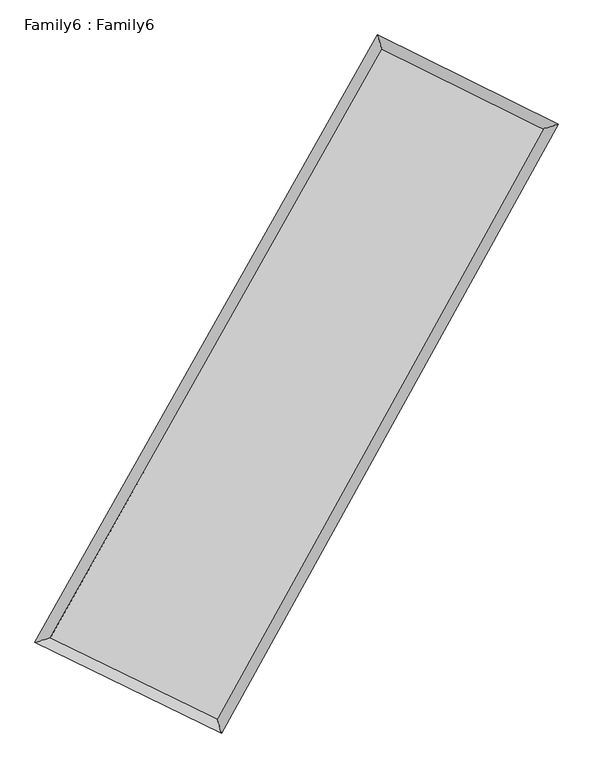
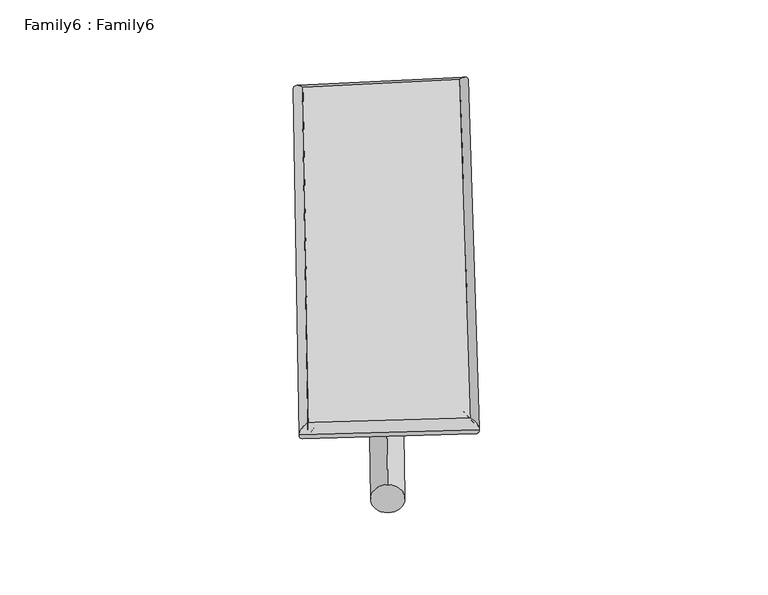
"""IFC4 building model written with IfcOpenShell, lengths in millimetres: plate geometry, Family6 : Family6."""

import ifcopenshell
import ifcopenshell.guid

model = None  # the IFC model being written
_history = None  # IfcOwnerHistory: only IFC2X3 demands one
_inside = {}  # id of a spatial element -> (the spatial element, [elements in it])
_under = {}  # id of a project, library or spatial element -> (it, [spatial elements below it])
_declared = {}  # id of a project -> (the project, [libraries it declares])
_typed = {}  # id of a type object -> (the type object, [elements of that type])
_made_of = {}  # id of a material, layer set ... -> (it, [elements and type objects made of it])


def new_model(schema):
    """Start an empty IFC model of exactly this schema.

    Asked for "IFC4X3", IfcOpenShell would pick the latest addendum, in which some entities
    have other attributes; the version numbers below select the first issue.
    IFC2X3 requires an IfcOwnerHistory on every rooted entity: one is made here for all.
    """
    global model, _history
    if schema == "IFC4X3":
        model = ifcopenshell.file(schema_version=(4, 3, 0, 0))
    else:
        model = ifcopenshell.file(schema=schema)
    _inside.clear()
    _under.clear()
    _declared.clear()
    _typed.clear()
    _made_of.clear()
    _history = None
    if model.schema == "IFC2X3":
        org = make("IfcOrganization", Name="unknown")
        user = make(
            "IfcPersonAndOrganization",
            ThePerson=make("IfcPerson", FamilyName="unknown"),
            TheOrganization=org,
        )
        app = make(
            "IfcApplication",
            ApplicationDeveloper=org,
            Version="unknown",
            ApplicationFullName="unknown",
            ApplicationIdentifier="unknown",
        )
        _history = make(
            "IfcOwnerHistory",
            OwningUser=user,
            OwningApplication=app,
            ChangeAction="ADDED",
            CreationDate=0,
        )
    return model


def make(cls, **values):
    """One entity of the class cls with the attributes given. An attribute that is None is left unset."""
    return model.create_entity(
        cls, **{name: value for name, value in values.items() if value is not None}
    )


def rooted(cls, **values):
    """An entity with a GlobalId (a new one), such as an element, a storey or a relation."""
    return make(cls, GlobalId=ifcopenshell.guid.new(), OwnerHistory=_history, **values)


def si_unit(unit_type, name, prefix=None):
    """IfcSIUnit, for example si_unit("LENGTHUNIT", "METRE", prefix="MILLI")."""
    return make("IfcSIUnit", UnitType=unit_type, Prefix=prefix, Name=name)


def assignment(units):
    """IfcUnitAssignment: the units of a project."""
    return None if units is None else make("IfcUnitAssignment", Units=units)


def point(xyz):
    """IfcCartesianPoint."""
    return None if xyz is None else make("IfcCartesianPoint", Coordinates=xyz)


def direction(xyz):
    """IfcDirection."""
    return None if xyz is None else make("IfcDirection", DirectionRatios=xyz)


def frame(location, z_axis=None, x_axis=None):
    """IfcAxis2Placement3D, a coordinate frame: its origin and axes. An axis left out is left unset."""
    return make(
        "IfcAxis2Placement3D",
        Location=point(location),
        Axis=direction(z_axis),
        RefDirection=direction(x_axis),
    )


def frame_2d(location, x_axis=None):
    """IfcAxis2Placement2D, a coordinate frame in the plane: its origin and x axis."""
    return make(
        "IfcAxis2Placement2D", Location=point(location), RefDirection=direction(x_axis)
    )


def origin():
    """The frame at (0, 0, 0) with its axes left unset."""
    return frame((0.0, 0.0, 0.0))


def origin_2d():
    """The frame at (0, 0) in the plane with its x axis left unset."""
    return frame_2d((0.0, 0.0))


def place(relative_to, where):
    """IfcLocalPlacement: puts the frame where relative to a parent placement (None: the world)."""
    return make(
        "IfcLocalPlacement", PlacementRelTo=relative_to, RelativePlacement=where
    )


def context(
    kind, dimensions, precision=None, world=None, true_north=None, identifier=None
):
    """IfcGeometricRepresentationContext, for example the 3D "Model" context."""
    return make(
        "IfcGeometricRepresentationContext",
        ContextIdentifier=identifier,
        ContextType=kind,
        CoordinateSpaceDimension=dimensions,
        Precision=precision,
        WorldCoordinateSystem=world,
        TrueNorth=true_north,
    )


def project(units=None, contexts=None):
    """IfcProject with its units and contexts."""
    return rooted(
        "IfcProject",
        Name="project",
        RepresentationContexts=contexts,
        UnitsInContext=assignment(units),
    )


def spatial(cls, under=None, at=None, **own):
    """A site, building, storey or space (cls), placed at a placement, below another one or the project."""
    s = rooted(cls, ObjectPlacement=at, **own)
    if under is not None:
        _under.setdefault(under.id(), (under, []))[1].append(s)
    return s


def circle_curve(where, radius):
    """IfcCircle in the frame where."""
    return make("IfcCircle", Position=where, Radius=radius)


def ellipse_curve(where, semi_axis1, semi_axis2):
    """IfcEllipse in the frame where."""
    return make(
        "IfcEllipse", Position=where, SemiAxis1=semi_axis1, SemiAxis2=semi_axis2
    )


def trimmed(basis, trim1, trim2, sense, master):
    """IfcTrimmedCurve: the piece of a basis curve between two trims."""
    return make(
        "IfcTrimmedCurve",
        BasisCurve=basis,
        Trim1=trim1,
        Trim2=trim2,
        SenseAgreement=sense,
        MasterRepresentation=master,
    )


def segment(curve, same_sense, transition):
    """IfcCompositeCurveSegment."""
    return make(
        "IfcCompositeCurveSegment",
        Transition=transition,
        SameSense=same_sense,
        ParentCurve=curve,
    )


def composite_curve(segments, self_intersect=None):
    """IfcCompositeCurve: segments joined end to end."""
    return make("IfcCompositeCurve", Segments=segments, SelfIntersect=self_intersect)


def outline(outer, holes=None, kind="AREA"):
    """IfcArbitraryClosedProfileDef: a profile drawn as a closed curve; with holes, ...WithVoids."""
    if holes is None:
        return make("IfcArbitraryClosedProfileDef", ProfileType=kind, OuterCurve=outer)
    return make(
        "IfcArbitraryProfileDefWithVoids",
        ProfileType=kind,
        OuterCurve=outer,
        InnerCurves=holes,
    )


def extrude(swept, where, along, depth):
    """IfcExtrudedAreaSolid: the profile swept, set in the frame where, extruded along a direction by depth."""
    return make(
        "IfcExtrudedAreaSolid",
        SweptArea=swept,
        Position=where,
        ExtrudedDirection=direction(along),
        Depth=depth,
    )


def shape(context_of_items, identifier, shape_type, items):
    """IfcShapeRepresentation: the items that make up one representation, for example the "Body"."""
    return make(
        "IfcShapeRepresentation",
        ContextOfItems=context_of_items,
        RepresentationIdentifier=identifier,
        RepresentationType=shape_type,
        Items=items,
    )


def source(mapping_origin, context_of_items, identifier, shape_type, items):
    """IfcRepresentationMap: a shape defined once, which mapped items show again and again."""
    return make(
        "IfcRepresentationMap",
        MappingOrigin=mapping_origin,
        MappedRepresentation=shape(context_of_items, identifier, shape_type, items),
    )


def transform(
    local_origin,
    x_axis=None,
    y_axis=None,
    z_axis=None,
    scale=None,
    scale2=None,
    scale3=None,
    uniform=True,
):
    """IfcCartesianTransformationOperator3D, or its non-uniform kind. x_axis, y_axis, z_axis: its Axis1, 2, 3."""
    if uniform:
        return make(
            "IfcCartesianTransformationOperator3D",
            Axis1=direction(x_axis),
            Axis2=direction(y_axis),
            LocalOrigin=point(local_origin),
            Scale=scale,
            Axis3=direction(z_axis),
        )
    return make(
        "IfcCartesianTransformationOperator3DnonUniform",
        Axis1=direction(x_axis),
        Axis2=direction(y_axis),
        LocalOrigin=point(local_origin),
        Scale=scale,
        Axis3=direction(z_axis),
        Scale2=scale2,
        Scale3=scale3,
    )


def mapped(mapping_source, mapping_target):
    """IfcMappedItem: shows the shape of a source again, moved by a transform."""
    return make(
        "IfcMappedItem", MappingSource=mapping_source, MappingTarget=mapping_target
    )


def made_of(thing, what):
    """Note that an element or type object is made of a material, layer set ...; save() writes the relation."""
    if what is not None:
        _made_of.setdefault(what.id(), (what, []))[1].append(thing)
    return thing


def element(
    cls,
    number,
    at=None,
    inside=None,
    cuts=None,
    type_object=None,
    material=None,
    context=None,
    identifier="Body",
    shape_type=None,
    held_by="IfcProductDefinitionShape",
    body=None,
    shapes=None,
    **own,
):
    """One element of the class cls, such as IfcWall. Its Tag is "e" and its number.

    at: its placement. inside: the storey or other place that contains it. cuts: it is an
    opening in that element (IfcRelVoidsElement). A single representation is given by context,
    identifier, shape_type and body (its items); several are given by shapes. held_by: the class
    of the entity that holds the representations. save() writes the other relations.
    """
    e = rooted(cls, Tag="e%d" % number, ObjectPlacement=at, **own)
    if body is not None:
        shapes = [shape(context, identifier, shape_type, body)]
    if shapes is not None:
        e.Representation = make(held_by, Representations=shapes)
    if inside is not None:
        _inside.setdefault(inside.id(), (inside, []))[1].append(e)
    if cuts is not None:
        rooted(
            "IfcRelVoidsElement", RelatingBuildingElement=cuts, RelatedOpeningElement=e
        )
    if type_object is not None:
        _typed.setdefault(type_object.id(), (type_object, []))[1].append(e)
    return made_of(e, material)


def aggregate(whole, parts):
    """IfcRelAggregates: a whole, such as a stair, and the parts it consists of."""
    return rooted("IfcRelAggregates", RelatingObject=whole, RelatedObjects=parts)


def save(model, path):
    """Write the relations noted so far, then the file.

    IfcRelAggregates (storeys below a building ...), IfcRelContainedInSpatialStructure (elements
    in a storey), IfcRelDefinesByType, IfcRelAssociatesMaterial and IfcRelDeclares: one each for
    every whole, place, type object, material and project.
    """
    for whole, parts in _under.values():
        aggregate(whole, parts)
    for where, things in _inside.values():
        rooted(
            "IfcRelContainedInSpatialStructure",
            RelatedElements=things,
            RelatingStructure=where,
        )
    for kind, things in _typed.values():
        rooted("IfcRelDefinesByType", RelatedObjects=things, RelatingType=kind)
    for what, things in _made_of.values():
        rooted("IfcRelAssociatesMaterial", RelatedObjects=things, RelatingMaterial=what)
    for by, libraries in _declared.values():
        rooted("IfcRelDeclares", RelatingContext=by, RelatedDefinitions=libraries)
    model.write(path)


def plane_surface(at):
    """IfcPlane: the flat surface through the origin of the frame at, square to its z axis."""
    return make("IfcPlane", Position=at)


def cylinder_surface(at, radius):
    """IfcCylindricalSurface: all points at the distance radius from the z axis of the frame at."""
    return make("IfcCylindricalSurface", Position=at, Radius=radius)


def spline_surface(u_degree, v_degree, points, u_multiplicities, v_multiplicities, u_knots, v_knots, weights=None):
    """IfcBSplineSurfaceWithKnots; with weights, IfcRationalBSplineSurfaceWithKnots. points: one row for each step in u."""
    own = dict(
        UDegree=u_degree,
        VDegree=v_degree,
        ControlPointsList=[[point(p) for p in row] for row in points],
        SurfaceForm="UNSPECIFIED",
        UClosed=False,
        VClosed=False,
        SelfIntersect=False,
        UMultiplicities=u_multiplicities,
        VMultiplicities=v_multiplicities,
        UKnots=u_knots,
        VKnots=v_knots,
        KnotSpec="UNSPECIFIED",
    )
    if weights is None:
        return make("IfcBSplineSurfaceWithKnots", **own)
    return make("IfcRationalBSplineSurfaceWithKnots", WeightsData=weights, **own)


def advanced_brep(points, edges, surfaces, faces):
    """IfcAdvancedBrep: a solid bounded by faces that lie on surfaces and meet in shared edges.

    An edge is (start, end): straight between two places in points (the first is 0);
    or (start, end, curve); or (start, end, curve, False) where it runs against its curve.
    A face is (place in surfaces, loops), or (place, loops, False) where it looks against
    its surface's normal. A loop lists edges by number (the first is 1), with a minus sign
    where the edge is run from its end to its start. The first loop is the outer one.
    """
    corners = [point(p) for p in points]
    vertices = [make("IfcVertexPoint", VertexGeometry=c) for c in corners]
    made = []
    for start, end, *more in edges:
        made.append(
            make(
                "IfcEdgeCurve",
                EdgeStart=vertices[start],
                EdgeEnd=vertices[end],
                EdgeGeometry=more[0] if more else make("IfcPolyline", Points=[corners[start], corners[end]]),
                SameSense=more[1] if len(more) > 1 else True,
            )
        )
    hull = []
    for where, loops, *sense in faces:
        bounds = []
        for j, loop in enumerate(loops):
            ring = [make("IfcOrientedEdge", EdgeElement=made[abs(k) - 1], Orientation=k > 0) for k in loop]
            bounds.append(
                make(
                    "IfcFaceOuterBound" if j == 0 else "IfcFaceBound",
                    Bound=make("IfcEdgeLoop", EdgeList=ring),
                    Orientation=True,
                )
            )
        hull.append(make("IfcAdvancedFace", Bounds=bounds, FaceSurface=surfaces[where], SameSense=sense[0] if sense else True))
    return make("IfcAdvancedBrep", Outer=make("IfcClosedShell", CfsFaces=hull))


def family6_family6_30f0ae4a(model_context):
    return source(origin(), model_context, "Body", "SolidModel", [
        extrude(outline(composite_curve([segment(trimmed(circle_curve(origin_2d(), 76.2), [point((-75.4341514, -10.7763074))], [point((75.4341514, 10.7763074))], False, "CARTESIAN"), True, "CONTINUOUS"), segment(trimmed(circle_curve(origin_2d(), 76.2), [point((75.4341514, 10.7763074))], [point((-75.4341514, -10.7763074))], False, "CARTESIAN"), True, "CONTINUOUS")], self_intersect=False)), frame((9144.0, 9144.0, 0.0), z_axis=(0.6688128916392458, 0.6919764618634443, 0.27176808533030455), x_axis=(-0.6836049062658659, 0.7161013040613607, -0.14100799427995359)), (0.0, 0.0, 1.0), 5689.7074798),
        extrude(outline(composite_curve([segment(trimmed(circle_curve(origin_2d(), 76.2), [point((-53.8815367, 53.8815367))], [point((53.8815367, -53.8815367))], False, "CARTESIAN"), True, "CONTINUOUS"), segment(trimmed(circle_curve(origin_2d(), 76.2), [point((53.8815367, -53.8815367))], [point((-53.8815367, 53.8815367))], False, "CARTESIAN"), True, "CONTINUOUS")], self_intersect=False)), frame((9144.0, 9144.0, 0.0), z_axis=(-0.6741807996516884, -0.6872235664539588, 0.27056241256189195), x_axis=(0.6398171021033252, -0.36044407048948546, 0.6787592709533137)), (0.0, 0.0, 1.0), 5713.7904691),
        extrude(outline(composite_curve([segment(trimmed(circle_curve(origin_2d(), 76.2), [point((-53.8815367, -53.8815367))], [point((53.8815367, 53.8815367))], False, "CARTESIAN"), True, "CONTINUOUS"), segment(trimmed(circle_curve(origin_2d(), 76.2), [point((53.8815367, 53.8815367))], [point((-53.8815367, -53.8815367))], False, "CARTESIAN"), True, "CONTINUOUS")], self_intersect=False)), frame((9144.0, 9144.0, 0.0), z_axis=(0.23263822281127625, 0.9342188971012488, 0.2703969481819967), x_axis=(-0.8468592877053535, 0.33129537891403293, -0.4160200941509783)), (0.0, 0.0, 1.0), 5545.8513694),
        extrude(outline(composite_curve([segment(trimmed(circle_curve(origin_2d(), 76.2), [point((-75.4341515, 10.7763073))], [point((75.4341515, -10.7763073))], False, "CARTESIAN"), True, "CONTINUOUS"), segment(trimmed(circle_curve(origin_2d(), 76.2), [point((75.4341515, -10.7763073))], [point((-75.4341515, 10.7763073))], False, "CARTESIAN"), True, "CONTINUOUS")], self_intersect=False)), frame((9144.0, 9144.0, 0.0), z_axis=(-0.2248213707243566, -0.9360980811982921, 0.27051013593301376), x_axis=(0.8927037188096085, -0.08660120532320746, 0.44224461744611765)), (0.0, 0.0, 1.0), 5545.9260817),
        advanced_brep(
        [(5079.5367331, 5151.1461078, 1542.7683918), (5079.4749029, 5151.0643653, 1549.9641673), (5504.2076119, 5283.5509638, 1549.1054766), (10495.9105077, 14124.5059594, 1504.1074389), (10372.4435054, 14525.5723402, 1495.0551318), (5504.269442, 5283.6327063, 1541.9097011), (12738.7288733, 13015.3051226, 1545.7502139), (13159.970551, 13146.9821792, 1546.8116018), (7833.7634923, 4152.6513888, 1501.0405265), (7960.5511005, 3752.2870842, 1499.4179099)],
        [
            (0, 1, ellipse_curve(frame((5291.8721725, 5217.3485358, 1545.9369342), z_axis=(-0.29775317039248267, 0.9546069333150855, 0.008285673659584372), x_axis=(-0.9545136656067817, -0.2978444553809824, 0.013868762335216424)), 222.5385646, 152.4)),
            (1, 2, ellipse_curve(frame((5291.8721725, 5217.3485358, 1545.9369342), z_axis=(-0.29775317039248267, 0.9546069333150855, 0.008285673659584372), x_axis=(-0.9545136656067817, -0.2978444553809824, 0.013868762335216424)), 222.5385646, 152.4)),
            (2, 3),
            (3, 4, ellipse_curve(frame((10434.1770065, 14325.0391498, 1499.5812853), z_axis=(-0.9556503559671208, -0.2943836428264384, -0.008406424694918986), x_axis=(0.2942363476321015, -0.9556098146190465, 0.015324944889719281)), 209.8728437, 152.4)),
            (4, 0),
            (2, 5, ellipse_curve(frame((5291.8721725, 5217.3485358, 1545.9369342), z_axis=(-0.29775317039248267, 0.9546069333150855, 0.008285673659584372), x_axis=(-0.9545136656067817, -0.2978444553809824, 0.013868762335216424)), 222.5385646, 152.4)),
            (5, 0, ellipse_curve(frame((5291.8721725, 5217.3485358, 1545.9369342), z_axis=(-0.29775317039248267, 0.9546069333150855, 0.008285673659584372), x_axis=(-0.9545136656067817, -0.2978444553809824, 0.013868762335216424)), 222.5385646, 152.4)),
            (4, 3, ellipse_curve(frame((10434.1770065, 14325.0391498, 1499.5812853), z_axis=(-0.9556503559671208, -0.2943836428264384, -0.008406424694918986), x_axis=(0.2942363476321015, -0.9556098146190465, 0.015324944889719281)), 209.8728437, 152.4)),
            (3, 6),
            (6, 7, ellipse_curve(frame((12949.3497122, 13081.1436509, 1546.2809079), z_axis=(-0.29832355109445424, 0.9544237449849975, -0.00885290185233447), x_axis=(-0.954321590601362, -0.2984266282674163, -0.014555042185711627)), 220.6898686, 152.4)),
            (7, 4),
            (7, 6, ellipse_curve(frame((12949.3497122, 13081.1436509, 1546.2809079), z_axis=(-0.29832355109445424, 0.9544237449849975, -0.00885290185233447), x_axis=(-0.954321590601362, -0.2984266282674163, -0.014555042185711627)), 220.6898686, 152.4)),
            (6, 8),
            (8, 9, ellipse_curve(frame((7897.1572964, 3952.4692365, 1500.2292182), z_axis=(0.953300034080662, 0.301923365292129, -0.007831124598976483), x_axis=(-0.3017905261680052, 0.9532612819491637, 0.014676738461779398)), 209.9927617, 152.4)),
            (9, 7),
            (9, 8, ellipse_curve(frame((7897.1572964, 3952.4692365, 1500.2292182), z_axis=(0.953300034080662, 0.301923365292129, -0.007831124598976483), x_axis=(-0.3017905261680052, 0.9532612819491637, 0.014676738461779398)), 209.9927617, 152.4)),
            (8, 5),
            (1, 9),
        ],
        [
            cylinder_surface(frame((5291.8721725, 5217.3485358, 1545.9369342), z_axis=(-0.4916523693052148, -0.8707802850548949, 0.004432032974237712), x_axis=(-0.8705611763037245, 0.49139885465941163, -0.025503018489858035)), 152.4),
            cylinder_surface(frame((10434.1770065, 14325.0391498, 1499.5812853), z_axis=(-0.8962462431501096, 0.44324457928426414, -0.01664075041669702), x_axis=(0.4434708732902314, 0.8961803096494926, -0.013944071849334126)), 152.4),
            cylinder_surface(frame((12949.3497122, 13081.1436509, 1546.2809079), z_axis=(0.48422452711758923, 0.8749326406778153, 0.004413798170773139), x_axis=(0.8749430312453853, -0.4842245271175892, -0.0011399179286048845)), 152.4),
            cylinder_surface(frame((7897.1572964, 3952.4692365, 1500.2292182), z_axis=(0.8994700726408026, -0.43669733682776835, -0.01578050794760506), x_axis=(-0.43659466657317686, -0.8996067376246393, 0.009634040700041152)), 152.4),
        ],
        [
            (0, [[1, 2, 3, 4, 5]]),
            (0, [[6, 7, -5, 8, -3]]),
            (1, [[-4, 9, 10, 11]]),
            (1, [[-8, -11, 12, -9]]),
            (2, [[-10, 13, 14, 15]]),
            (2, [[-12, -15, 16, -13]]),
            (3, [[-14, 17, -6, -2, 18]]),
            (3, [[-16, -18, -1, -7, -17]]),
        ],
    ),
        extrude(outline(composite_curve([segment(trimmed(circle_curve(origin_2d(), 304.8), [point((0.0, -304.8))], [point((0.0, 304.8))], False, "CARTESIAN"), True, "CONTINUOUS"), segment(trimmed(circle_curve(origin_2d(), 304.8), [point((0.0, 304.8))], [point((0.0, -304.8))], False, "CARTESIAN"), True, "CONTINUOUS")], self_intersect=False)), frame((6563.5917396, 4576.1644623, -0.0253646), z_axis=(0.49185329085232254, 0.8706780922099545, 4.834754786154332e-06), x_axis=(-0.8706780922224499, 0.4918532908523225, 1.2711914796760942e-06)), (0.0, 0.0, 1.0), 10492.5932525),
        advanced_brep(
        [(5291.8721725, 5217.3485358, 1545.9369342), (7897.1572964, 3952.4692365, 1500.2292182), (7897.1691033, 3952.4659464, 1652.6292177), (5291.8839794, 5217.3452458, 1698.3369337), (12949.3497122, 13081.1436509, 1546.2809079), (12949.3615191, 13081.1403609, 1698.6809074), (10434.1770065, 14325.0391498, 1499.5812853), (10434.1888135, 14325.0358597, 1651.9812849)],
        [
            (0, 1),
            (1, 2),
            (2, 3),
            (3, 0),
            (1, 4),
            (4, 5),
            (5, 2),
            (4, 6),
            (6, 7),
            (7, 5),
            (6, 0),
            (3, 7),
        ],
        [
            plane_surface(frame((6594.5147344, 4584.9088862, 1523.0830762), z_axis=(-0.43675151641757864, -0.8995821878511826, 1.4416152448220448e-05), x_axis=(0.8994700726408025, -0.43669733682776807, -0.015780507947605046))),
            plane_surface(frame((10423.2535043, 8516.8064437, 1523.2550631), z_axis=(0.8749413278937067, -0.4842289402982825, -7.823809698925279e-05), x_axis=(0.4842245271175893, 0.8749326406778152, 0.004413798170773152))),
            plane_surface(frame((11691.7633594, 13703.0914004, 1522.9310966), z_axis=(0.44330618610037714, 0.8963702500308335, -1.4993303353842517e-05), x_axis=(-0.8962462431501095, 0.4432445792842639, -0.01664075041669701))),
            plane_surface(frame((7863.0245895, 9771.1938428, 1522.7591098), z_axis=(-0.8707886647247094, 0.4916574979505339, 7.807674630497903e-05), x_axis=(-0.4916523693052151, -0.8707802850548947, 0.004432032974237708))),
            spline_surface(1, 1, [[(7897.1691033, 3952.4659464, 1652.6292177), (5291.8839794, 5217.3452458, 1698.3369337)], [(12949.3615191, 13081.1403609, 1698.6809074), (10434.1888135, 14325.0358597, 1651.9812849)]], [2, 2], [2, 2], [0.0, 1.0], [0.0, 1.0]),
            spline_surface(1, 1, [[(10434.1770065, 14325.0391498, 1499.5812853), (5291.8721725, 5217.3485358, 1545.9369342)], [(12949.3497122, 13081.1436509, 1546.2809079), (7897.1572964, 3952.4692365, 1500.2292182)]], [2, 2], [2, 2], [0.0, 1.0], [0.0, 1.0]),
        ],
        [
            (0, [[1, 2, 3, 4]]),
            (1, [[5, 6, 7, -2]]),
            (2, [[8, 9, 10, -6]]),
            (3, [[11, -4, 12, -9]]),
            (4, [[-3, -7, -10, -12]]),
            (5, [[-11, -8, -5, -1]]),
        ],
    ),
    ])


if __name__ == "__main__":
    model = new_model("IFC4")
    model_context = context("Model", 3, world=origin())
    ifc_project = project(units=[si_unit("LENGTHUNIT", "METRE", prefix="MILLI")], contexts=[model_context])
    site = spatial("IfcSite", under=ifc_project)
    building = spatial("IfcBuilding", under=site)
    placement = place(None, origin())
    family6_family6_shape = family6_family6_30f0ae4a(model_context)
    element("IfcPlate", 1, ObjectType="Family6 : Family6", at=placement, inside=building, context=model_context, shape_type="MappedRepresentation", body=[
        mapped(family6_family6_shape, transform((0.0, 0.0, 0.0), x_axis=(1.0, 0.0, 0.0), y_axis=(0.0, 1.0, 0.0), z_axis=(0.0, 0.0, 1.0))),
    ])
    save(model, "model.ifc")
